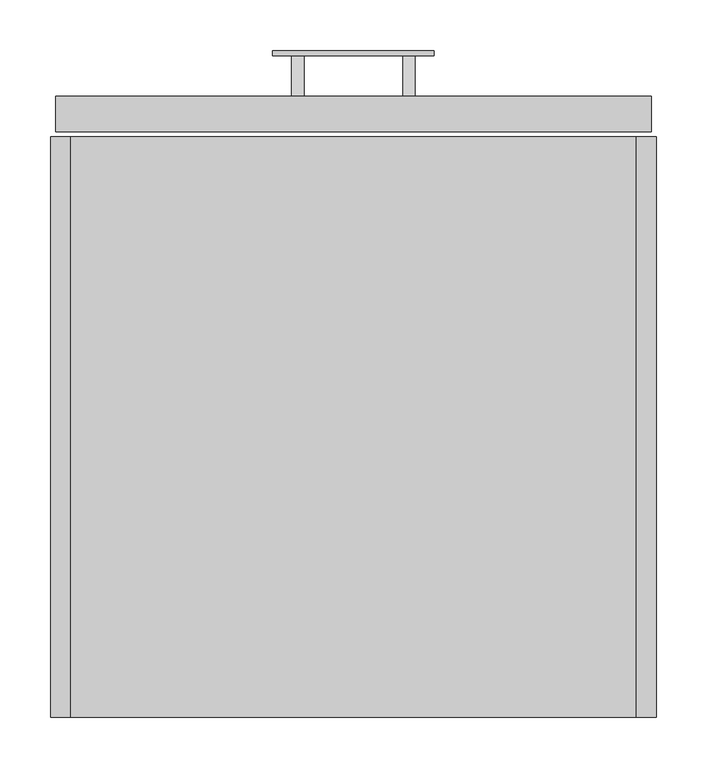
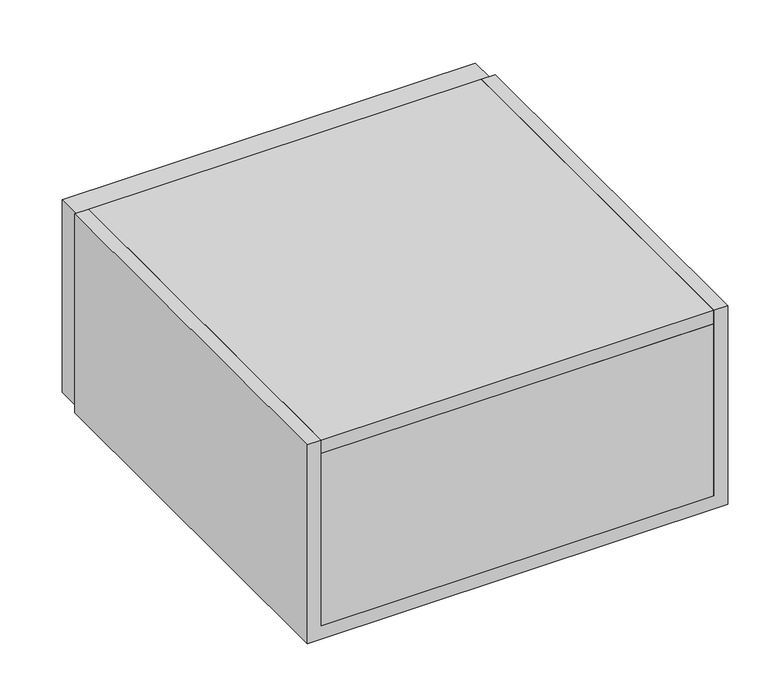
"""IFC4 building model written with IfcOpenShell, lengths in millimetres: furniture geometry."""

from ifc_helpers import new_model, si_unit, frame, origin, place, context, project, spatial, polyline, outline, extrude, faceted_brep, source, transform, mapped, element, save


def furniture_6bcf2132(model_context):
    return source(origin(), model_context, "Body", "SolidModel", [
        extrude(outline(polyline([(615.0, 60.0), (655.2555661, 30.0), (655.2555661, 15.8630604), (615.0, 35.8630604), (615.0, 60.0)])), frame((349.0, 0.0, 0.0), z_axis=(1.0, 0.0, 0.0), x_axis=(0.0, 1.0, 0.0)), (0.0, 0.0, 1.0), 12.0),
        extrude(outline(polyline([(615.0, 60.0), (655.2555661, 30.0), (655.2555661, 15.8630604), (615.0, 35.8630604), (615.0, 60.0)])), frame((239.0, 0.0, 0.0), z_axis=(1.0, 0.0, 0.0), x_axis=(0.0, 1.0, 0.0)), (0.0, 0.0, 1.0), 12.0),
        extrude(outline(polyline([(220.0, 660.2555661), (380.0, 660.2555661), (380.0, 655.2555661), (220.0, 655.2555661), (220.0, 660.2555661)])), frame((0.0, 0.0, 15.8630604), z_axis=(0.0, 0.0, 1.0), x_axis=(1.0, 0.0, 0.0)), (0.0, 0.0, 1.0), 20.0),
        extrude(outline(polyline([(580.0, 0.0), (20.0, 0.0), (20.0, 575.0), (580.0, 575.0), (580.0, 0.0)])), frame((0.0, 0.0, 280.0), z_axis=(0.0, 0.0, 1.0), x_axis=(1.0, 0.0, 0.0)), (0.0, 0.0, 1.0), 20.0),
        extrude(outline(polyline([(580.0, 0.0), (20.0, 0.0), (20.0, 5.0), (580.0, 5.0), (580.0, 0.0)])), frame((0.0, 0.0, 20.0), z_axis=(0.0, 0.0, 1.0), x_axis=(1.0, 0.0, 0.0)), (0.0, 0.0, 1.0), 260.0),
        extrude(outline(polyline([(300.0, 20.0), (300.0, 0.0), (0.0, 0.0), (0.0, 600.0), (300.0, 600.0), (300.0, 580.0), (20.0, 580.0), (20.0, 20.0), (300.0, 20.0)])), frame((0.0, 0.0, 0.0), z_axis=(0.0, 1.0, 0.0), x_axis=(0.0, 0.0, 1.0)), (0.0, 0.0, 1.0), 575.0),
        extrude(outline(polyline([(530.0, 580.0), (70.0, 580.0), (70.0, 600.0), (530.0, 600.0), (530.0, 580.0)])), frame((0.0, 0.0, 70.0), z_axis=(0.0, 0.0, 1.0), x_axis=(1.0, 0.0, 0.0)), (0.0, 0.0, 1.0), 160.0),
        faceted_brep([(540.0, 605.0, 240.0), (540.0, 610.0, 240.0), (540.0, 610.0, 60.0), (540.0, 605.0, 60.0), (567.5, 610.0, 267.5), (567.5, 615.0, 267.5), (567.5, 615.0, 32.5), (567.5, 610.0, 32.5), (595.0, 615.0, 295.0), (595.0, 580.0, 295.0), (595.0, 580.0, 5.0), (595.0, 615.0, 5.0), (530.0, 580.0, 230.0), (530.0, 605.0, 230.0), (530.0, 605.0, 70.0), (530.0, 580.0, 70.0), (60.0, 610.0, 60.0), (60.0, 605.0, 60.0), (32.5, 615.0, 32.5), (32.5, 610.0, 32.5), (5.0, 580.0, 5.0), (5.0, 615.0, 5.0), (70.0, 605.0, 70.0), (70.0, 580.0, 70.0), (60.0, 610.0, 240.0), (60.0, 605.0, 240.0), (32.5, 615.0, 267.5), (32.5, 610.0, 267.5), (5.0, 580.0, 295.0), (5.0, 615.0, 295.0), (70.0, 605.0, 230.0), (70.0, 580.0, 230.0)], [[[0, 1, 2, 3]], [[4, 5, 6, 7]], [[8, 9, 10, 11]], [[12, 13, 14, 15]], [[3, 2, 16, 17]], [[7, 6, 18, 19]], [[11, 10, 20, 21]], [[15, 14, 22, 23]], [[17, 16, 24, 25]], [[19, 18, 26, 27]], [[21, 20, 28, 29]], [[23, 22, 30, 31]], [[25, 24, 1, 0]], [[7, 19, 27, 4], [1, 24, 16, 2]], [[27, 26, 5, 4]], [[11, 21, 29, 8], [5, 26, 18, 6]], [[29, 28, 9, 8]], [[9, 28, 20, 10], [15, 23, 31, 12]], [[31, 30, 13, 12]], [[3, 17, 25, 0], [13, 30, 22, 14]]]),
    ])


if __name__ == "__main__":
    model = new_model("IFC4")
    model_context = context("Model", 3, world=origin())
    ifc_project = project(units=[si_unit("LENGTHUNIT", "METRE", prefix="MILLI")], contexts=[model_context])
    site = spatial("IfcSite", under=ifc_project)
    building = spatial("IfcBuilding", under=site)
    placement = place(None, origin())
    furniture_shape = furniture_6bcf2132(model_context)
    element("IfcFurniture", 1, at=placement, inside=building, context=model_context, shape_type="MappedRepresentation", body=[
        mapped(furniture_shape, transform((0.0, 0.0, 0.0), x_axis=(1.0, 0.0, 0.0), y_axis=(0.0, 1.0, 0.0), z_axis=(0.0, 0.0, 1.0))),
    ])
    save(model, "model.ifc")
